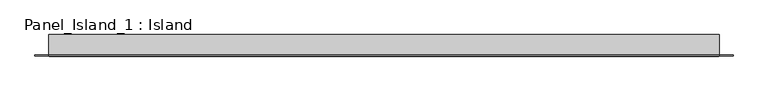
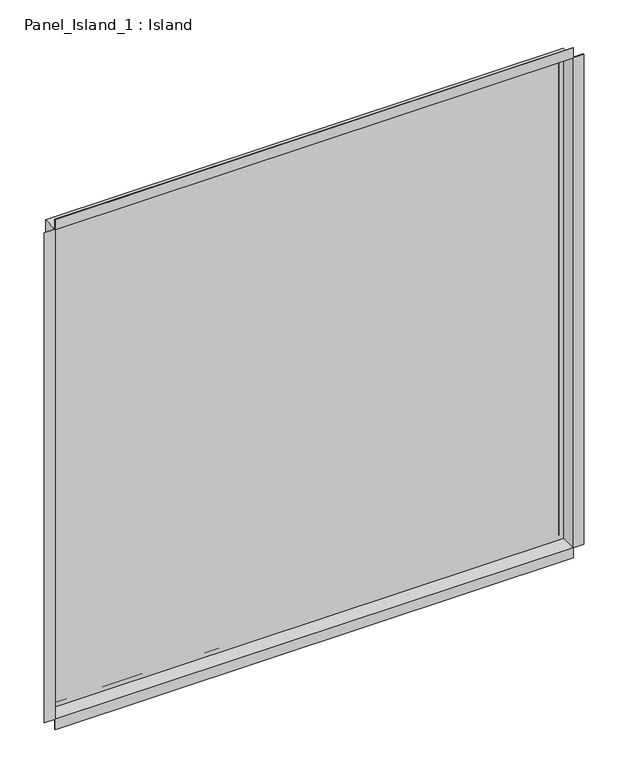
"""IFC4 building model written with IfcOpenShell, lengths in millimetres: plate geometry, Panel_Island_1 : Island."""

import ifcopenshell
import ifcopenshell.guid

model = None  # the IFC model being written
_history = None  # IfcOwnerHistory: only IFC2X3 demands one
_inside = {}  # id of a spatial element -> (the spatial element, [elements in it])
_under = {}  # id of a project, library or spatial element -> (it, [spatial elements below it])
_declared = {}  # id of a project -> (the project, [libraries it declares])
_typed = {}  # id of a type object -> (the type object, [elements of that type])
_made_of = {}  # id of a material, layer set ... -> (it, [elements and type objects made of it])


def new_model(schema):
    """Start an empty IFC model of exactly this schema.

    Asked for "IFC4X3", IfcOpenShell would pick the latest addendum, in which some entities
    have other attributes; the version numbers below select the first issue.
    IFC2X3 requires an IfcOwnerHistory on every rooted entity: one is made here for all.
    """
    global model, _history
    if schema == "IFC4X3":
        model = ifcopenshell.file(schema_version=(4, 3, 0, 0))
    else:
        model = ifcopenshell.file(schema=schema)
    _inside.clear()
    _under.clear()
    _declared.clear()
    _typed.clear()
    _made_of.clear()
    _history = None
    if model.schema == "IFC2X3":
        org = make("IfcOrganization", Name="unknown")
        user = make(
            "IfcPersonAndOrganization",
            ThePerson=make("IfcPerson", FamilyName="unknown"),
            TheOrganization=org,
        )
        app = make(
            "IfcApplication",
            ApplicationDeveloper=org,
            Version="unknown",
            ApplicationFullName="unknown",
            ApplicationIdentifier="unknown",
        )
        _history = make(
            "IfcOwnerHistory",
            OwningUser=user,
            OwningApplication=app,
            ChangeAction="ADDED",
            CreationDate=0,
        )
    return model


def make(cls, **values):
    """One entity of the class cls with the attributes given. An attribute that is None is left unset."""
    return model.create_entity(
        cls, **{name: value for name, value in values.items() if value is not None}
    )


def rooted(cls, **values):
    """An entity with a GlobalId (a new one), such as an element, a storey or a relation."""
    return make(cls, GlobalId=ifcopenshell.guid.new(), OwnerHistory=_history, **values)


def si_unit(unit_type, name, prefix=None):
    """IfcSIUnit, for example si_unit("LENGTHUNIT", "METRE", prefix="MILLI")."""
    return make("IfcSIUnit", UnitType=unit_type, Prefix=prefix, Name=name)


def assignment(units):
    """IfcUnitAssignment: the units of a project."""
    return None if units is None else make("IfcUnitAssignment", Units=units)


def point(xyz):
    """IfcCartesianPoint."""
    return None if xyz is None else make("IfcCartesianPoint", Coordinates=xyz)


def direction(xyz):
    """IfcDirection."""
    return None if xyz is None else make("IfcDirection", DirectionRatios=xyz)


def frame(location, z_axis=None, x_axis=None):
    """IfcAxis2Placement3D, a coordinate frame: its origin and axes. An axis left out is left unset."""
    return make(
        "IfcAxis2Placement3D",
        Location=point(location),
        Axis=direction(z_axis),
        RefDirection=direction(x_axis),
    )


def origin():
    """The frame at (0, 0, 0) with its axes left unset."""
    return frame((0.0, 0.0, 0.0))


def place(relative_to, where):
    """IfcLocalPlacement: puts the frame where relative to a parent placement (None: the world)."""
    return make(
        "IfcLocalPlacement", PlacementRelTo=relative_to, RelativePlacement=where
    )


def context(
    kind, dimensions, precision=None, world=None, true_north=None, identifier=None
):
    """IfcGeometricRepresentationContext, for example the 3D "Model" context."""
    return make(
        "IfcGeometricRepresentationContext",
        ContextIdentifier=identifier,
        ContextType=kind,
        CoordinateSpaceDimension=dimensions,
        Precision=precision,
        WorldCoordinateSystem=world,
        TrueNorth=true_north,
    )


def project(units=None, contexts=None):
    """IfcProject with its units and contexts."""
    return rooted(
        "IfcProject",
        Name="project",
        RepresentationContexts=contexts,
        UnitsInContext=assignment(units),
    )


def spatial(cls, under=None, at=None, **own):
    """A site, building, storey or space (cls), placed at a placement, below another one or the project."""
    s = rooted(cls, ObjectPlacement=at, **own)
    if under is not None:
        _under.setdefault(under.id(), (under, []))[1].append(s)
    return s


def polyline(points):
    """IfcPolyline through the points."""
    return make("IfcPolyline", Points=[point(p) for p in points])


def outline(outer, holes=None, kind="AREA"):
    """IfcArbitraryClosedProfileDef: a profile drawn as a closed curve; with holes, ...WithVoids."""
    if holes is None:
        return make("IfcArbitraryClosedProfileDef", ProfileType=kind, OuterCurve=outer)
    return make(
        "IfcArbitraryProfileDefWithVoids",
        ProfileType=kind,
        OuterCurve=outer,
        InnerCurves=holes,
    )


def extrude(swept, where, along, depth):
    """IfcExtrudedAreaSolid: the profile swept, set in the frame where, extruded along a direction by depth."""
    return make(
        "IfcExtrudedAreaSolid",
        SweptArea=swept,
        Position=where,
        ExtrudedDirection=direction(along),
        Depth=depth,
    )


def faces_of(points, faces, orient=None, outer=None):
    """IfcFace entities. A face is a list of loops; a loop is a list of indices into points, from 0.

    orient and outer hold one flag for each loop. By default every Orientation is true, the
    first loop of a face is its IfcFaceOuterBound and the others are IfcFaceBound.
    """
    made = []
    for i, loops in enumerate(faces):
        bounds = []
        for j, loop in enumerate(loops):
            is_outer = j == 0 if outer is None else outer[i][j]
            bounds.append(
                make(
                    "IfcFaceOuterBound" if is_outer else "IfcFaceBound",
                    Bound=make("IfcPolyLoop", Polygon=[points[k] for k in loop]),
                    Orientation=True if orient is None else orient[i][j],
                )
            )
        made.append(make("IfcFace", Bounds=bounds))
    return made


def faceted_brep(points, faces, orient=None, outer=None, voids=None):
    """IfcFacetedBrep: a solid bounded by flat faces; with voids (closed shells), ...WithVoids."""
    shared = [point(p) for p in points]
    hull = make("IfcClosedShell", CfsFaces=faces_of(shared, faces, orient, outer))
    if voids is None:
        return make("IfcFacetedBrep", Outer=hull)
    return make(
        "IfcFacetedBrepWithVoids",
        Outer=hull,
        Voids=[
            make(cls, CfsFaces=faces_of(shared, fs, o, b)) for cls, fs, o, b in voids
        ],
    )


def shape(context_of_items, identifier, shape_type, items):
    """IfcShapeRepresentation: the items that make up one representation, for example the "Body"."""
    return make(
        "IfcShapeRepresentation",
        ContextOfItems=context_of_items,
        RepresentationIdentifier=identifier,
        RepresentationType=shape_type,
        Items=items,
    )


def source(mapping_origin, context_of_items, identifier, shape_type, items):
    """IfcRepresentationMap: a shape defined once, which mapped items show again and again."""
    return make(
        "IfcRepresentationMap",
        MappingOrigin=mapping_origin,
        MappedRepresentation=shape(context_of_items, identifier, shape_type, items),
    )


def transform(
    local_origin,
    x_axis=None,
    y_axis=None,
    z_axis=None,
    scale=None,
    scale2=None,
    scale3=None,
    uniform=True,
):
    """IfcCartesianTransformationOperator3D, or its non-uniform kind. x_axis, y_axis, z_axis: its Axis1, 2, 3."""
    if uniform:
        return make(
            "IfcCartesianTransformationOperator3D",
            Axis1=direction(x_axis),
            Axis2=direction(y_axis),
            LocalOrigin=point(local_origin),
            Scale=scale,
            Axis3=direction(z_axis),
        )
    return make(
        "IfcCartesianTransformationOperator3DnonUniform",
        Axis1=direction(x_axis),
        Axis2=direction(y_axis),
        LocalOrigin=point(local_origin),
        Scale=scale,
        Axis3=direction(z_axis),
        Scale2=scale2,
        Scale3=scale3,
    )


def mapped(mapping_source, mapping_target):
    """IfcMappedItem: shows the shape of a source again, moved by a transform."""
    return make(
        "IfcMappedItem", MappingSource=mapping_source, MappingTarget=mapping_target
    )


def made_of(thing, what):
    """Note that an element or type object is made of a material, layer set ...; save() writes the relation."""
    if what is not None:
        _made_of.setdefault(what.id(), (what, []))[1].append(thing)
    return thing


def element(
    cls,
    number,
    at=None,
    inside=None,
    cuts=None,
    type_object=None,
    material=None,
    context=None,
    identifier="Body",
    shape_type=None,
    held_by="IfcProductDefinitionShape",
    body=None,
    shapes=None,
    **own,
):
    """One element of the class cls, such as IfcWall. Its Tag is "e" and its number.

    at: its placement. inside: the storey or other place that contains it. cuts: it is an
    opening in that element (IfcRelVoidsElement). A single representation is given by context,
    identifier, shape_type and body (its items); several are given by shapes. held_by: the class
    of the entity that holds the representations. save() writes the other relations.
    """
    e = rooted(cls, Tag="e%d" % number, ObjectPlacement=at, **own)
    if body is not None:
        shapes = [shape(context, identifier, shape_type, body)]
    if shapes is not None:
        e.Representation = make(held_by, Representations=shapes)
    if inside is not None:
        _inside.setdefault(inside.id(), (inside, []))[1].append(e)
    if cuts is not None:
        rooted(
            "IfcRelVoidsElement", RelatingBuildingElement=cuts, RelatedOpeningElement=e
        )
    if type_object is not None:
        _typed.setdefault(type_object.id(), (type_object, []))[1].append(e)
    return made_of(e, material)


def aggregate(whole, parts):
    """IfcRelAggregates: a whole, such as a stair, and the parts it consists of."""
    return rooted("IfcRelAggregates", RelatingObject=whole, RelatedObjects=parts)


def save(model, path):
    """Write the relations noted so far, then the file.

    IfcRelAggregates (storeys below a building ...), IfcRelContainedInSpatialStructure (elements
    in a storey), IfcRelDefinesByType, IfcRelAssociatesMaterial and IfcRelDeclares: one each for
    every whole, place, type object, material and project.
    """
    for whole, parts in _under.values():
        aggregate(whole, parts)
    for where, things in _inside.values():
        rooted(
            "IfcRelContainedInSpatialStructure",
            RelatedElements=things,
            RelatingStructure=where,
        )
    for kind, things in _typed.values():
        rooted("IfcRelDefinesByType", RelatedObjects=things, RelatingType=kind)
    for what, things in _made_of.values():
        rooted("IfcRelAssociatesMaterial", RelatedObjects=things, RelatingMaterial=what)
    for by, libraries in _declared.values():
        rooted("IfcRelDeclares", RelatingContext=by, RelatedDefinitions=libraries)
    model.write(path)


def panel_island_1_island_86a13a5a(model_context):
    return source(origin(), model_context, "Body", "SolidModel", [
        faceted_brep([(498.8500085, 31.2, 998.4), (498.8500085, 0.0, 998.4), (-498.8500085, 0.0, 998.4), (-498.8500085, 31.2, 998.4), (489.6500085, 32.0, 989.2), (489.6500085, 31.2, 989.2), (-489.6500085, 31.2, 989.2), (-489.6500085, 32.0, 989.2), (499.6500085, 32.0, 999.2), (-499.6500085, 32.0, 999.2), (-499.6500085, 1.5, 999.2), (499.6500085, 1.5, 999.2), (-498.8500085, 0.0, 1.4), (-498.8500085, 31.2, 1.4), (-489.6500085, 31.2, 10.6), (-489.6500085, 32.0, 10.6), (-499.6500085, 32.0, 0.6), (-499.6500085, 1.5, 0.6), (-499.6500085, 1.5, 1019.2), (-499.6500085, 0.0, 999.2), (-499.6500085, 0.0, 1019.2), (498.8500085, 0.0, 1.4), (498.8500085, 31.2, 1.4), (489.6500085, 31.2, 10.6), (489.6500085, 32.0, 10.6), (499.6500085, 32.0, 0.6), (499.6500085, 1.5, 0.6), (520.2500085, 1.5, 0.6), (520.2500085, 0.0, 0.6), (499.6500085, 0.0, 0.6), (-520.2500085, 1.5, 0.6), (-499.6500085, 0.0, 0.6), (-520.2500085, 0.0, 0.6), (499.6500085, 0.0, 1019.2), (-520.2500085, 0.0, 999.2), (-499.6500085, 0.0, -20.0), (499.6500085, 0.0, -20.0), (520.2500085, 0.0, 999.2), (499.6500085, 0.0, 999.2), (499.6500085, 1.5, 1019.2), (520.2500085, 1.5, 999.2), (-520.2500085, 1.5, 999.2), (499.6500085, 1.5, -20.0), (-499.6500085, 1.5, -20.0)], [[[0, 1, 2, 3]], [[4, 5, 6, 7]], [[8, 9, 10, 11]], [[3, 2, 12, 13]], [[7, 6, 14, 15]], [[9, 16, 17, 10]], [[18, 10, 19, 20]], [[13, 12, 21, 22]], [[15, 14, 23, 24]], [[16, 25, 26, 17]], [[26, 27, 28, 29]], [[30, 17, 31, 32]], [[33, 20, 19, 34, 32, 31, 35, 36, 29, 28, 37, 38], [2, 1, 21, 12]], [[1, 0, 22, 21]], [[0, 3, 13, 22], [6, 5, 23, 14]], [[5, 4, 24, 23]], [[9, 8, 25, 16], [4, 7, 15, 24]], [[25, 8, 11, 26]], [[11, 39, 33, 38]], [[10, 18, 39, 11]], [[20, 33, 39, 18]], [[11, 40, 27, 26]], [[38, 37, 40, 11]], [[37, 28, 27, 40]], [[17, 30, 41, 10]], [[32, 34, 41, 30]], [[34, 19, 10, 41]], [[26, 42, 43, 17]], [[35, 31, 17, 43]], [[36, 35, 43, 42]], [[29, 36, 42, 26]]]),
        extrude(outline(polyline([(498.8500085, 30.2), (-498.8500085, 30.2), (-498.8500085, 31.2), (498.8500085, 31.2), (498.8500085, 30.2)])), frame((0.0, 0.0, 1.4), z_axis=(0.0, 0.0, 1.0), x_axis=(1.0, 0.0, 0.0)), (0.0, 0.0, 1.0), 997.0),
        extrude(outline(polyline([(489.6500085, 31.2), (-489.6500085, 31.2), (-489.6500085, 32.0), (489.6500085, 32.0), (489.6500085, 31.2)])), frame((0.0, 0.0, 10.6), z_axis=(0.0, 0.0, 1.0), x_axis=(1.0, 0.0, 0.0)), (0.0, 0.0, 1.0), 978.6),
    ])


if __name__ == "__main__":
    model = new_model("IFC4")
    model_context = context("Model", 3, world=origin())
    ifc_project = project(units=[si_unit("LENGTHUNIT", "METRE", prefix="MILLI")], contexts=[model_context])
    site = spatial("IfcSite", under=ifc_project)
    building = spatial("IfcBuilding", under=site)
    placement = place(None, origin())
    panel_island_1_island_shape = panel_island_1_island_86a13a5a(model_context)
    element("IfcPlate", 1, ObjectType="Panel_Island_1 : Island", at=placement, inside=building, context=model_context, shape_type="MappedRepresentation", body=[
        mapped(panel_island_1_island_shape, transform((0.0, 0.0, 0.0), x_axis=(1.0, 0.0, 0.0), y_axis=(0.0, 1.0, 0.0), z_axis=(0.0, 0.0, 1.0))),
    ])
    save(model, "model.ifc")
